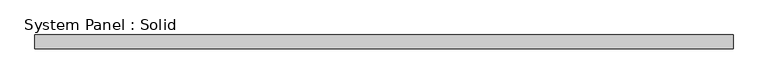
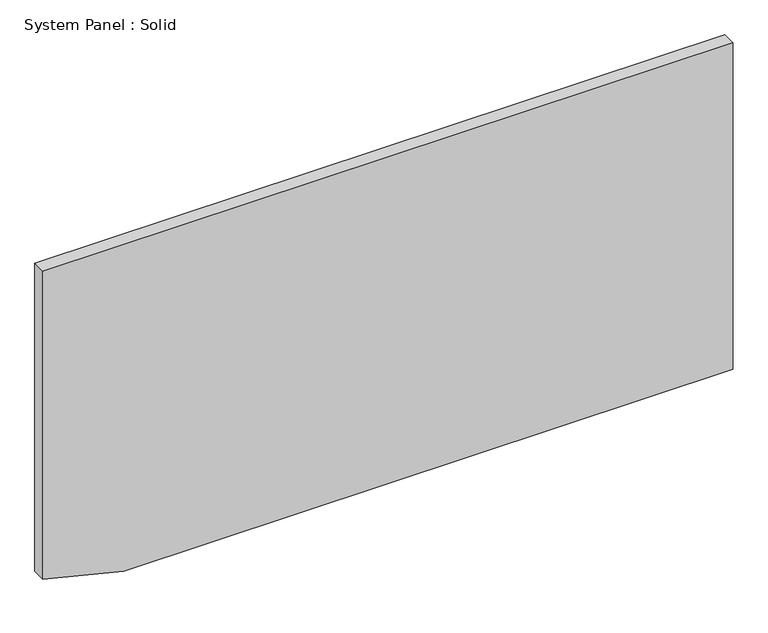
"""IFC4 building model written with IfcOpenShell, lengths in millimetres: plate geometry, System Panel : Solid."""

from ifc_helpers import new_model, si_unit, frame, origin, place, context, project, spatial, polyline, outline, extrude, source, transform, mapped, element, save


def system_panel_solid_33654227(model_context):
    return source(origin(), model_context, "Body", "SweptSolid", [
        extrude(outline(polyline([(0.0, -1149.4468849), (0.0, 1500.0), (1500.0, 1500.0), (1500.0, -1500.0), (84.6994772, -1500.0), (0.0, -1149.4468849)])), frame((0.0, -10.5, 0.0), z_axis=(0.0, 1.0, 0.0), x_axis=(0.0, 0.0, 1.0)), (0.0, 0.0, 1.0), 60.0),
    ])


if __name__ == "__main__":
    model = new_model("IFC4")
    model_context = context("Model", 3, world=origin())
    ifc_project = project(units=[si_unit("LENGTHUNIT", "METRE", prefix="MILLI")], contexts=[model_context])
    site = spatial("IfcSite", under=ifc_project)
    building = spatial("IfcBuilding", under=site)
    placement = place(None, origin())
    system_panel_solid_shape = system_panel_solid_33654227(model_context)
    element("IfcPlate", 1, ObjectType="System Panel : Solid", at=placement, inside=building, context=model_context, shape_type="MappedRepresentation", body=[
        mapped(system_panel_solid_shape, transform((0.0, 0.0, 0.0), x_axis=(1.0, 0.0, 0.0), y_axis=(0.0, 1.0, 0.0), z_axis=(0.0, 0.0, 1.0))),
    ])
    save(model, "model.ifc")
